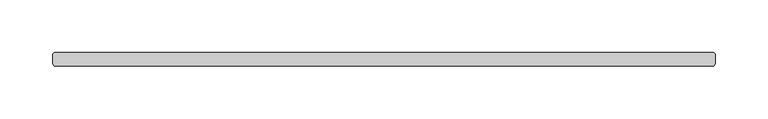
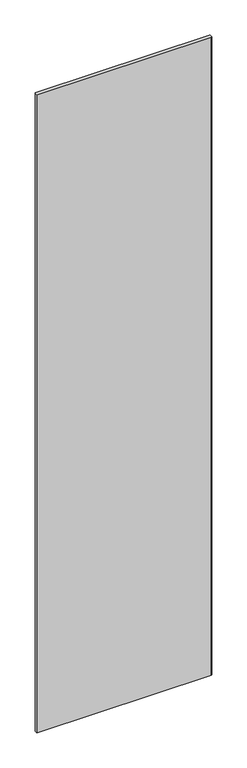
"""IFC4 building model written with IfcOpenShell, lengths in millimetres: plate geometry."""

from ifc_helpers import new_model, si_unit, origin, origin_with_axes, place, context, project, spatial, polyline, outline, extrude, source, transform, mapped, element, save


def plate_9c1600eb(model_context):
    return source(origin(), model_context, "Body", "SweptSolid", [
        extrude(outline(polyline([(313.134375, 36.5125), (314.721875, 34.925), (314.721875, 25.4), (313.134375, 23.8125), (-313.134375, 23.8125), (-314.721875, 25.4), (-314.721875, 34.925), (-313.134375, 36.5125), (313.134375, 36.5125)])), origin_with_axes(), (0.0, 0.0, 1.0), 2428.7789267),
    ])


if __name__ == "__main__":
    model = new_model("IFC4")
    model_context = context("Model", 3, world=origin())
    ifc_project = project(units=[si_unit("LENGTHUNIT", "METRE", prefix="MILLI")], contexts=[model_context])
    site = spatial("IfcSite", under=ifc_project)
    building = spatial("IfcBuilding", under=site)
    placement = place(None, origin())
    plate_shape = plate_9c1600eb(model_context)
    element("IfcPlate", 1, at=placement, inside=building, context=model_context, shape_type="MappedRepresentation", body=[
        mapped(plate_shape, transform((0.0, 0.0, 0.0), x_axis=(1.0, 0.0, 0.0), y_axis=(0.0, 1.0, 0.0), z_axis=(0.0, 0.0, 1.0))),
    ])
    save(model, "model.ifc")
